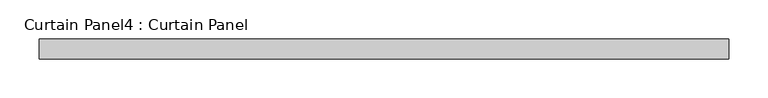
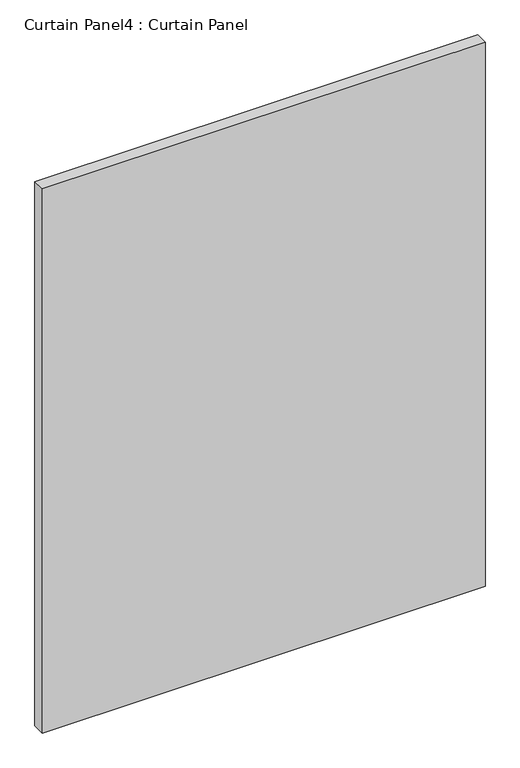
"""IFC4 building model written with IfcOpenShell, lengths in millimetres: plate geometry, Curtain Panel4 : Curtain Panel."""

from ifc_helpers import new_model, si_unit, frame, origin, place, context, project, spatial, polyline, outline, extrude, source, transform, mapped, element, save


def curtain_panel4_curtain_panel_b440b947(model_context):
    return source(origin(), model_context, "Body", "SweptSolid", [
        extrude(outline(polyline([(-177652.3628689, 4757.6387985), (-178531.8378689, 4757.6387985), (-178531.8378689, 4783.0387985), (-177652.3628689, 4783.0387985), (-177652.3628689, 4757.6387985)])), frame((0.0, 0.0, 2455.8625), z_axis=(0.0, 0.0, 1.0), x_axis=(1.0, 0.0, 0.0)), (0.0, 0.0, 1.0), 1143.0),
    ])


if __name__ == "__main__":
    model = new_model("IFC4")
    model_context = context("Model", 3, world=origin())
    ifc_project = project(units=[si_unit("LENGTHUNIT", "METRE", prefix="MILLI")], contexts=[model_context])
    site = spatial("IfcSite", under=ifc_project)
    building = spatial("IfcBuilding", under=site)
    placement = place(None, origin())
    curtain_panel4_curtain_panel_shape = curtain_panel4_curtain_panel_b440b947(model_context)
    element("IfcPlate", 1, ObjectType="Curtain Panel4 : Curtain Panel", at=placement, inside=building, context=model_context, shape_type="MappedRepresentation", body=[
        mapped(curtain_panel4_curtain_panel_shape, transform((0.0, 0.0, 0.0), x_axis=(1.0, 0.0, 0.0), y_axis=(0.0, 1.0, 0.0), z_axis=(0.0, 0.0, 1.0))),
    ])
    save(model, "model.ifc")
